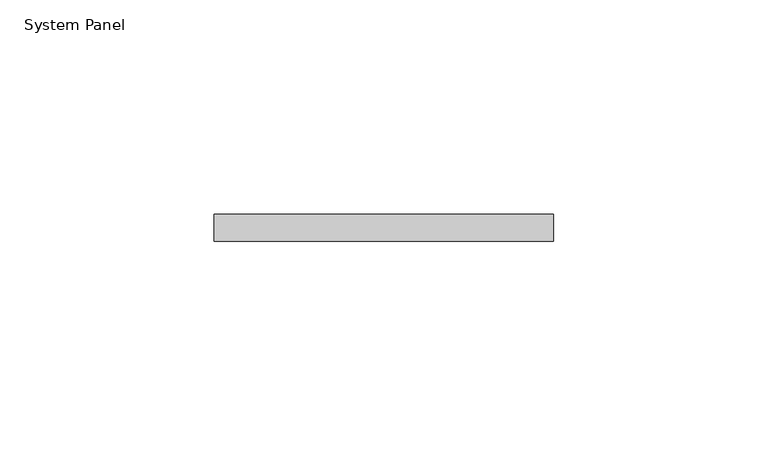
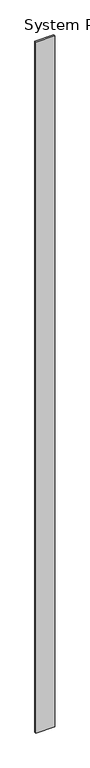
"""IFC4 building model written with IfcOpenShell, lengths in millimetres: plate geometry, System Panel."""

from ifc_helpers import new_model, si_unit, origin, origin_with_axes, place, context, project, spatial, polyline, outline, extrude, source, transform, mapped, element, save


def system_panel_77d6e89a(model_context):
    return source(origin(), model_context, "Body", "SweptSolid", [
        extrude(outline(polyline([(39.6575665, 0.0), (-39.6575665, 0.0), (-39.6575665, 6.35), (39.6575665, 6.35), (39.6575665, 0.0)])), origin_with_axes(), (0.0, 0.0, 1.0), 3048.0),
    ])


if __name__ == "__main__":
    model = new_model("IFC4")
    model_context = context("Model", 3, world=origin())
    ifc_project = project(units=[si_unit("LENGTHUNIT", "METRE", prefix="MILLI")], contexts=[model_context])
    site = spatial("IfcSite", under=ifc_project)
    building = spatial("IfcBuilding", under=site)
    placement = place(None, origin())
    system_panel_shape = system_panel_77d6e89a(model_context)
    element("IfcPlate", 1, ObjectType="System Panel", at=placement, inside=building, context=model_context, shape_type="MappedRepresentation", body=[
        mapped(system_panel_shape, transform((0.0, 0.0, 0.0), x_axis=(1.0, 0.0, 0.0), y_axis=(0.0, 1.0, 0.0), z_axis=(0.0, 0.0, 1.0))),
    ])
    save(model, "model.ifc")
